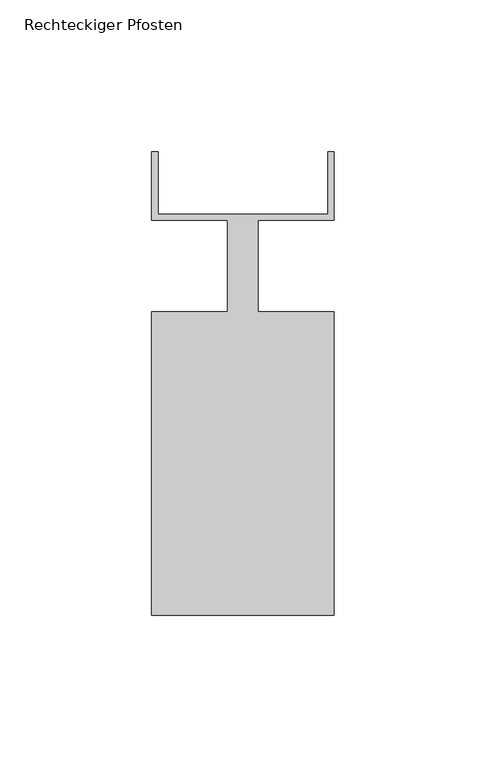
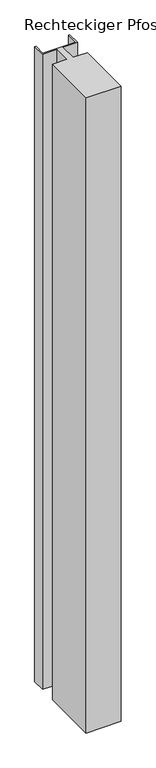
"""IFC4 building model written with IfcOpenShell, lengths in millimetres: member geometry, Rechteckiger Pfosten."""

from ifc_helpers import new_model, si_unit, frame, origin, place, context, project, spatial, polyline, outline, extrude, source, transform, mapped, element, save


def rechteckiger_pfosten_4b2db13c(model_context):
    return source(origin(), model_context, "Body", "SweptSolid", [
        extrude(outline(polyline([(-58.0, 37.5), (-58.0, 17.0), (-2.0, 17.0), (-2.0, 37.5), (0.0, 37.5), (0.0, 15.0), (-25.0, 15.0), (-25.0, -15.0), (0.0, -15.0), (0.0, -115.0), (-60.0, -115.0), (-60.0, -15.0), (-35.0, -15.0), (-35.0, 15.0), (-60.0, 15.0), (-60.0, 37.5), (-58.0, 37.5)])), frame((0.0, 0.0, -1148.8888889), z_axis=(0.0, 0.0, 1.0), x_axis=(1.0, 0.0, 0.0)), (0.0, 0.0, 1.0), 1148.8888889),
    ])


if __name__ == "__main__":
    model = new_model("IFC4")
    model_context = context("Model", 3, world=origin())
    ifc_project = project(units=[si_unit("LENGTHUNIT", "METRE", prefix="MILLI")], contexts=[model_context])
    site = spatial("IfcSite", under=ifc_project)
    building = spatial("IfcBuilding", under=site)
    placement = place(None, origin())
    rechteckiger_pfosten_shape = rechteckiger_pfosten_4b2db13c(model_context)
    element("IfcMember", 1, ObjectType="Rechteckiger Pfosten", at=placement, inside=building, context=model_context, shape_type="MappedRepresentation", body=[
        mapped(rechteckiger_pfosten_shape, transform((0.0, 0.0, 0.0), x_axis=(1.0, 0.0, 0.0), y_axis=(0.0, 1.0, 0.0), z_axis=(0.0, 0.0, 1.0))),
    ])
    save(model, "model.ifc")
